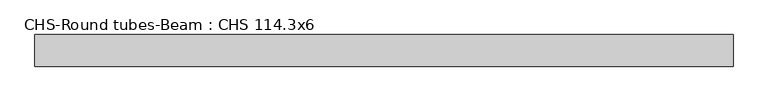
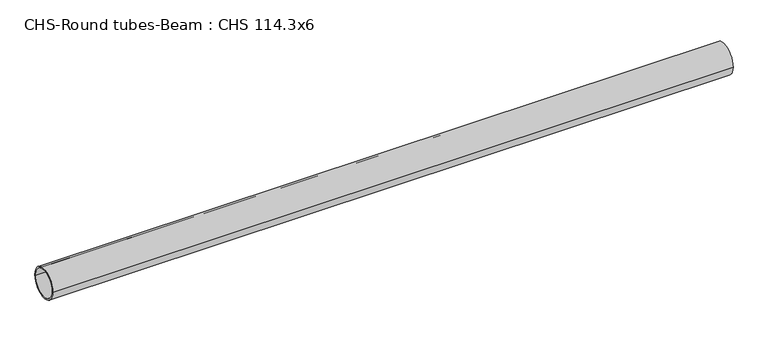
"""IFC4 building model written with IfcOpenShell, lengths in millimetres: beam geometry, CHS-Round tubes-Beam : CHS 114.3x6."""

from ifc_helpers import new_model, si_unit, point, frame, origin, origin_2d, place, context, project, spatial, circle_curve, trimmed, segment, composite_curve, outline, extrude, source, transform, mapped, element, save


def chs_round_tubes_beam_chs_114_3x6_eccdc066(model_context):
    return source(origin(), model_context, "Body", "SweptSolid", [
        extrude(outline(composite_curve([segment(trimmed(circle_curve(origin_2d(), 57.15), [point((57.15, 0.0))], [point((-57.15, 0.0))], False, "CARTESIAN"), True, "CONTINUOUS"), segment(trimmed(circle_curve(origin_2d(), 57.15), [point((-57.15, 0.0))], [point((57.15, 0.0))], False, "CARTESIAN"), True, "CONTINUOUS")], self_intersect=False), holes=[composite_curve([segment(trimmed(circle_curve(origin_2d(), 51.15), [point((51.15, 0.0))], [point((-51.15, 0.0))], True, "CARTESIAN"), True, "CONTINUOUS"), segment(trimmed(circle_curve(origin_2d(), 51.15), [point((-51.15, 0.0))], [point((51.15, 0.0))], True, "CARTESIAN"), True, "CONTINUOUS")], self_intersect=False)]), frame((-1215.5644506, 0.0, 0.0), z_axis=(1.0, 0.0, 0.0), x_axis=(0.0, 1.0, 0.0)), (0.0, 0.0, 1.0), 2520.7734198),
    ])


if __name__ == "__main__":
    model = new_model("IFC4")
    model_context = context("Model", 3, world=origin())
    ifc_project = project(units=[si_unit("LENGTHUNIT", "METRE", prefix="MILLI")], contexts=[model_context])
    site = spatial("IfcSite", under=ifc_project)
    building = spatial("IfcBuilding", under=site)
    placement = place(None, origin())
    chs_round_tubes_beam_chs_114_3x6_shape = chs_round_tubes_beam_chs_114_3x6_eccdc066(model_context)
    element("IfcBeam", 1, ObjectType="CHS-Round tubes-Beam : CHS 114.3x6", at=placement, inside=building, context=model_context, shape_type="MappedRepresentation", body=[
        mapped(chs_round_tubes_beam_chs_114_3x6_shape, transform((0.0, 0.0, 0.0), x_axis=(1.0, 0.0, 0.0), y_axis=(0.0, 1.0, 0.0), z_axis=(0.0, 0.0, 1.0))),
    ])
    save(model, "model.ifc")
